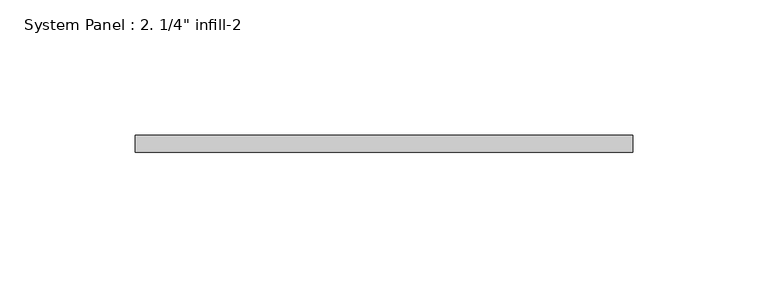
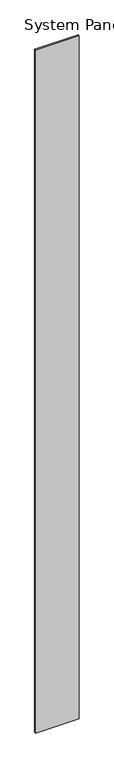
"""IFC4 building model written with IfcOpenShell, lengths in millimetres: plate geometry."""

from ifc_helpers import new_model, si_unit, origin, origin_with_axes, place, context, project, spatial, polyline, outline, extrude, source, transform, mapped, element, save


def plate_49a66605(model_context):
    return source(origin(), model_context, "Body", "SweptSolid", [
        extrude(outline(polyline([(92.075, 0.0), (-92.075, 0.0), (-92.075, 6.35), (92.075, 6.35), (92.075, 0.0)])), origin_with_axes(), (0.0, 0.0, 1.0), 3048.0),
    ])


if __name__ == "__main__":
    model = new_model("IFC4")
    model_context = context("Model", 3, world=origin())
    ifc_project = project(units=[si_unit("LENGTHUNIT", "METRE", prefix="MILLI")], contexts=[model_context])
    site = spatial("IfcSite", under=ifc_project)
    building = spatial("IfcBuilding", under=site)
    placement = place(None, origin())
    plate_shape = plate_49a66605(model_context)
    element("IfcPlate", 1, ObjectType="System Panel : 2. 1/4\" infill-2", at=placement, inside=building, context=model_context, shape_type="MappedRepresentation", body=[
        mapped(plate_shape, transform((0.0, 0.0, 0.0), x_axis=(1.0, 0.0, 0.0), y_axis=(0.0, 1.0, 0.0), z_axis=(0.0, 0.0, 1.0))),
    ])
    save(model, "model.ifc")
